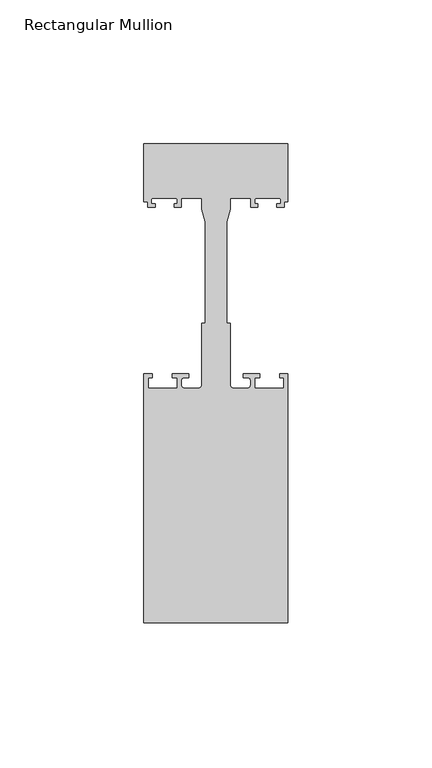
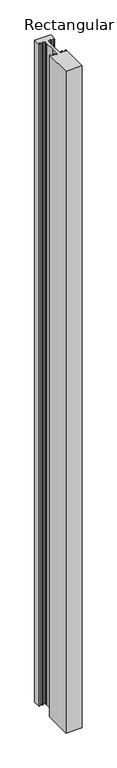
"""IFC4 building model written with IfcOpenShell, lengths in millimetres: member geometry, Rectangular Mullion."""

from ifc_helpers import new_model, si_unit, point, frame, frame_2d, origin, place, context, project, spatial, polyline, circle_curve, trimmed, segment, composite_curve, outline, extrude, source, transform, mapped, element, save


def rectangular_mullion_7b5b3bd0(model_context):
    return source(origin(), model_context, "Body", "SweptSolid", [
        extrude(outline(composite_curve([segment(polyline([(-25.0, -74.0), (-25.0, 12.5), (-22.2, 12.5), (-22.2, 11.2), (-23.5, 11.2), (-23.5, 7.5), (-13.5, 7.5), (-13.5, 11.2), (-15.2, 11.2), (-15.2, 12.5), (-9.4, 12.5), (-9.4, 11.2), (-11.0, 11.2)]), True, "CONTINUOUS"), segment(trimmed(circle_curve(frame_2d((-11.0, 10.2)), 1.0), [point((-11.0, 11.2))], [point((-12.0, 10.2))], True, "CARTESIAN"), True, "CONTINUOUS"), segment(polyline([(-12.0, 10.2), (-12.0, 8.5)]), True, "CONTINUOUS"), segment(trimmed(circle_curve(frame_2d((-11.0, 8.5)), 1.0), [point((-12.0, 8.5))], [point((-11.0, 7.5))], True, "CARTESIAN"), True, "CONTINUOUS"), segment(polyline([(-11.0, 7.5), (-6.0, 7.5)]), True, "CONTINUOUS"), segment(trimmed(circle_curve(frame_2d((-6.0, 8.5)), 1.0), [point((-6.0, 7.5))], [point((-5.0, 8.5))], True, "CARTESIAN"), True, "CONTINUOUS"), segment(polyline([(-5.0, 8.5), (-5.0, 30.0), (-3.7, 30.0), (-3.7, 65.3046824), (-5.0, 69.6597214), (-5.0, 73.5), (-11.65, 73.5)]), True, "CONTINUOUS"), segment(trimmed(circle_curve(frame_2d((-11.65, 73.0)), 0.5), [point((-11.65, 73.5))], [point((-12.15, 73.0))], True, "CARTESIAN"), True, "CONTINUOUS"), segment(polyline([(-12.15, 73.0), (-12.15, 70.3), (-14.55, 70.3), (-14.55, 71.5), (-13.45, 71.5), (-13.45, 73.0)]), True, "CONTINUOUS"), segment(trimmed(circle_curve(frame_2d((-13.95, 73.0)), 0.5), [point((-13.45, 73.0))], [point((-13.95, 73.5))], True, "CARTESIAN"), True, "CONTINUOUS"), segment(polyline([(-13.95, 73.5), (-21.95, 73.5)]), True, "CONTINUOUS"), segment(trimmed(circle_curve(frame_2d((-21.95, 73.0)), 0.5), [point((-21.95, 73.5))], [point((-22.45, 73.0))], True, "CARTESIAN"), True, "CONTINUOUS"), segment(polyline([(-22.45, 73.0), (-22.45, 71.5), (-21.05, 71.5), (-21.05, 70.3), (-23.75, 70.3), (-23.75, 72.3), (-25.0, 72.3), (-25.0, 92.3), (25.0, 92.3), (25.0, 72.3), (23.75, 72.3), (23.75, 70.3), (21.05, 70.3), (21.05, 71.5), (22.45, 71.5), (22.45, 73.0)]), True, "CONTINUOUS"), segment(trimmed(circle_curve(frame_2d((21.95, 73.0)), 0.5), [point((22.45, 73.0))], [point((21.95, 73.5))], True, "CARTESIAN"), True, "CONTINUOUS"), segment(polyline([(21.95, 73.5), (13.95, 73.5)]), True, "CONTINUOUS"), segment(trimmed(circle_curve(frame_2d((13.95, 73.0)), 0.5), [point((13.95, 73.5))], [point((13.45, 73.0))], True, "CARTESIAN"), True, "CONTINUOUS"), segment(polyline([(13.45, 73.0), (13.45, 71.5), (14.55, 71.5), (14.55, 70.3), (12.15, 70.3), (12.15, 73.0)]), True, "CONTINUOUS"), segment(trimmed(circle_curve(frame_2d((11.65, 73.0)), 0.5), [point((12.15, 73.0))], [point((11.65, 73.5))], True, "CARTESIAN"), True, "CONTINUOUS"), segment(polyline([(11.65, 73.5), (5.0, 73.5), (5.0, 69.6597214), (3.7, 65.3046824), (3.7, 30.0), (5.0, 30.0), (5.0, 8.5)]), True, "CONTINUOUS"), segment(trimmed(circle_curve(frame_2d((6.0, 8.5)), 1.0), [point((5.0, 8.5))], [point((6.0, 7.5))], True, "CARTESIAN"), True, "CONTINUOUS"), segment(polyline([(6.0, 7.5), (11.0, 7.5)]), True, "CONTINUOUS"), segment(trimmed(circle_curve(frame_2d((11.0, 8.5)), 1.0), [point((11.0, 7.5))], [point((12.0, 8.5))], True, "CARTESIAN"), True, "CONTINUOUS"), segment(polyline([(12.0, 8.5), (12.0, 10.2)]), True, "CONTINUOUS"), segment(trimmed(circle_curve(frame_2d((11.0, 10.2)), 1.0), [point((12.0, 10.2))], [point((11.0, 11.2))], True, "CARTESIAN"), True, "CONTINUOUS"), segment(polyline([(11.0, 11.2), (9.4, 11.2), (9.4, 12.5), (15.2, 12.5), (15.2, 11.2), (13.5, 11.2), (13.5, 7.5), (23.5, 7.5), (23.5, 11.2), (22.2, 11.2), (22.2, 12.5), (25.0, 12.5), (25.0, -74.0), (-25.0, -74.0)]), True, "CONTINUOUS")], self_intersect=False)), frame((0.0, 0.0, -2150.0), z_axis=(0.0, 0.0, 1.0), x_axis=(1.0, 0.0, 0.0)), (0.0, 0.0, 1.0), 2150.0),
    ])


if __name__ == "__main__":
    model = new_model("IFC4")
    model_context = context("Model", 3, world=origin())
    ifc_project = project(units=[si_unit("LENGTHUNIT", "METRE", prefix="MILLI")], contexts=[model_context])
    site = spatial("IfcSite", under=ifc_project)
    building = spatial("IfcBuilding", under=site)
    placement = place(None, origin())
    rectangular_mullion_shape = rectangular_mullion_7b5b3bd0(model_context)
    element("IfcMember", 1, ObjectType="Rectangular Mullion", at=placement, inside=building, context=model_context, shape_type="MappedRepresentation", body=[
        mapped(rectangular_mullion_shape, transform((0.0, 0.0, 0.0), x_axis=(1.0, 0.0, 0.0), y_axis=(0.0, 1.0, 0.0), z_axis=(0.0, 0.0, 1.0))),
    ])
    save(model, "model.ifc")
